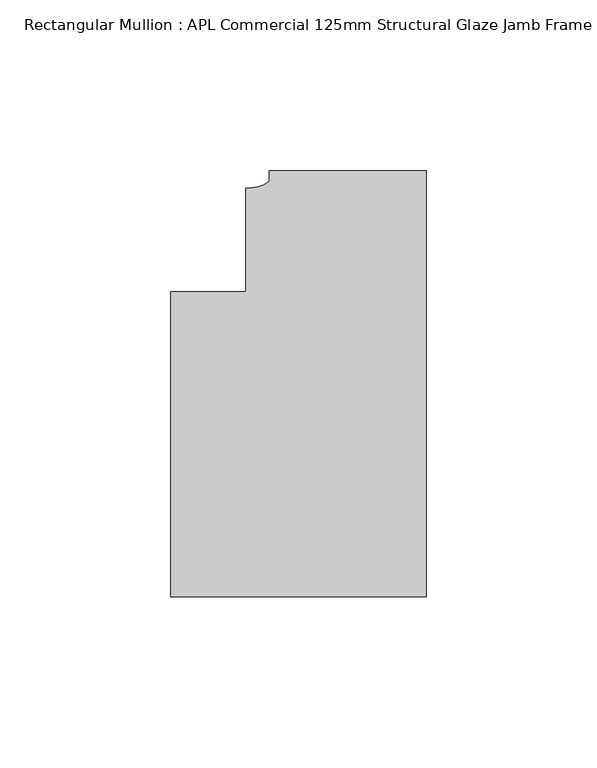
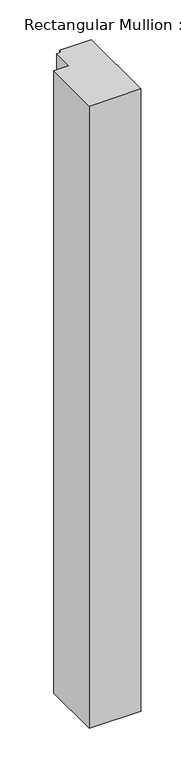
"""IFC4 building model written with IfcOpenShell, lengths in millimetres: member geometry, Rectangular Mullion : APL Commercial 125mm Structural Glaze Jamb Frame (left)."""

from ifc_helpers import new_model, si_unit, point, frame, frame_2d, origin, place, context, project, spatial, polyline, circle_curve, trimmed, segment, composite_curve, outline, extrude, source, transform, mapped, element, save


def rectangular_mullion_apl_commercial_125mm_structural_glaze_e68fd6c2(model_context):
    return source(origin(), model_context, "Body", "SweptSolid", [
        extrude(outline(composite_curve([segment(polyline([(0.0, 20.5), (0.0, -104.5), (-75.0, -104.5), (-75.0, -15.0000829), (-52.9999391, -15.0000829), (-52.9999391, 15.3797475)]), True, "CONTINUOUS"), segment(trimmed(circle_curve(frame_2d((-52.1098019, 25.7981812)), 10.4563907), [point((-52.9999391, 15.3797475))], [point((-45.9999842, 17.3125325))], True, "CARTESIAN"), True, "CONTINUOUS"), segment(polyline([(-45.9999842, 17.3125325), (-45.9999842, 20.5), (0.0, 20.5)]), True, "CONTINUOUS")], self_intersect=False)), frame((0.0, 0.0, -956.8287873), z_axis=(0.0, 0.0, 1.0), x_axis=(1.0, 0.0, 0.0)), (0.0, 0.0, 1.0), 956.8287873),
    ])


if __name__ == "__main__":
    model = new_model("IFC4")
    model_context = context("Model", 3, world=origin())
    ifc_project = project(units=[si_unit("LENGTHUNIT", "METRE", prefix="MILLI")], contexts=[model_context])
    site = spatial("IfcSite", under=ifc_project)
    building = spatial("IfcBuilding", under=site)
    placement = place(None, origin())
    rectangular_mullion_apl_commercial_125mm_structural_glaze_shape = rectangular_mullion_apl_commercial_125mm_structural_glaze_e68fd6c2(model_context)
    element("IfcMember", 1, ObjectType="Rectangular Mullion : APL Commercial 125mm Structural Glaze Jamb Frame (left)", at=placement, inside=building, context=model_context, shape_type="MappedRepresentation", body=[
        mapped(rectangular_mullion_apl_commercial_125mm_structural_glaze_shape, transform((0.0, 0.0, 0.0), x_axis=(1.0, 0.0, 0.0), y_axis=(0.0, 1.0, 0.0), z_axis=(0.0, 0.0, 1.0))),
    ])
    save(model, "model.ifc")
